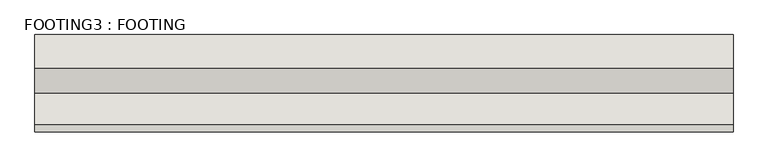
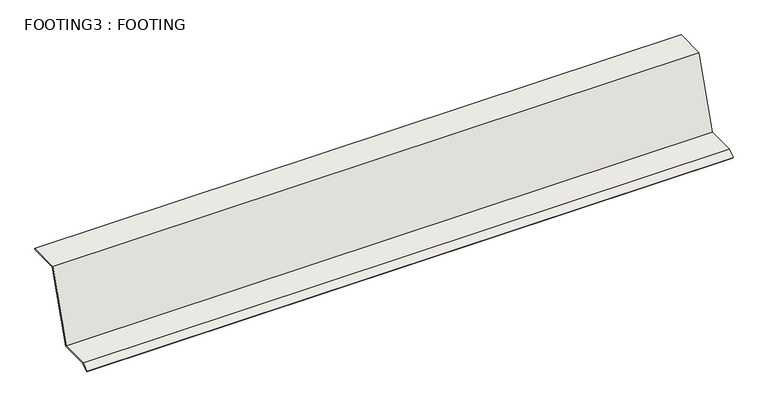
"""IFC4 building model written with IfcOpenShell, lengths in millimetres: wall geometry, FOOTING3 : FOOTING."""

from ifc_helpers import new_model, si_unit, frame, origin, place, context, project, spatial, polyline, outline, extrude, source, transform, mapped, element, save


def footing3_footing_77f82183(model_context):
    return source(origin(), model_context, "Body", "SweptSolid", [
        extrude(outline(polyline([(2967.4663627, -50.8), (2944.8791246, -66.6157544), (2943.0580194, -64.0149467), (2966.4652891, -47.625), (3066.7708193, -47.625), (3146.4129652, 193.675), (3252.2152891, 193.675), (3252.2152891, 190.5), (3148.7085087, 190.5), (3069.0663627, -50.8), (2967.4663627, -50.8)])), frame((-1972.1785982, 0.0, 0.0), z_axis=(1.0, 0.0, 0.0), x_axis=(0.0, 1.0, 0.0)), (0.0, 0.0, 1.0), 2216.15),
    ])


if __name__ == "__main__":
    model = new_model("IFC4")
    model_context = context("Model", 3, world=origin())
    ifc_project = project(units=[si_unit("LENGTHUNIT", "METRE", prefix="MILLI")], contexts=[model_context])
    site = spatial("IfcSite", under=ifc_project)
    building = spatial("IfcBuilding", under=site)
    placement = place(None, origin())
    footing3_footing_shape = footing3_footing_77f82183(model_context)
    element("IfcWall", 1, ObjectType="FOOTING3 : FOOTING", at=placement, inside=building, context=model_context, shape_type="MappedRepresentation", body=[
        mapped(footing3_footing_shape, transform((0.0, 0.0, 0.0), x_axis=(1.0, 0.0, 0.0), y_axis=(0.0, 1.0, 0.0), z_axis=(0.0, 0.0, 1.0))),
    ])
    save(model, "model.ifc")
